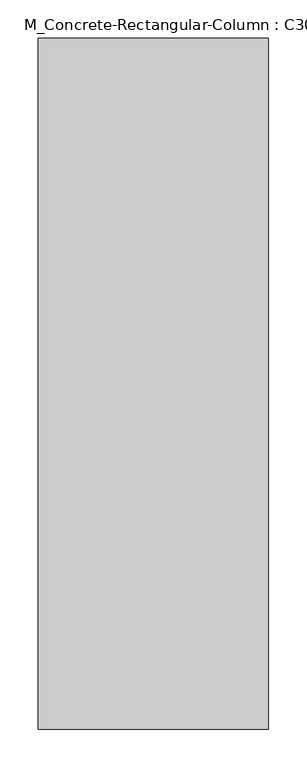
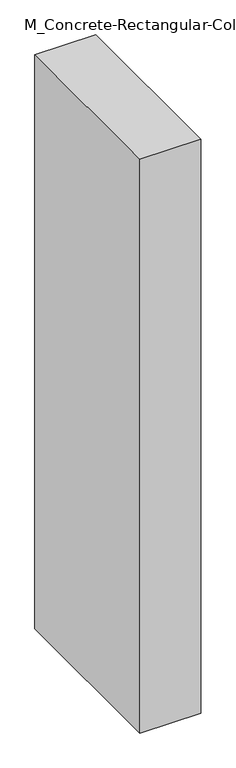
"""IFC4 building model written with IfcOpenShell, lengths in millimetres: column geometry, M_Concrete-Rectangular-Column : C300X900."""

from ifc_helpers import new_model, si_unit, origin, origin_with_axes, place, context, project, spatial, polyline, outline, extrude, source, transform, mapped, element, save


def m_concrete_rectangular_column_c300x900_945d1b77(model_context):
    return source(origin(), model_context, "Body", "SweptSolid", [
        extrude(outline(polyline([(150.0, 450.0), (150.0, -450.0), (-150.0, -450.0), (-150.0, 450.0), (150.0, 450.0)])), origin_with_axes(), (0.0, 0.0, 1.0), 3000.0),
    ])


if __name__ == "__main__":
    model = new_model("IFC4")
    model_context = context("Model", 3, world=origin())
    ifc_project = project(units=[si_unit("LENGTHUNIT", "METRE", prefix="MILLI")], contexts=[model_context])
    site = spatial("IfcSite", under=ifc_project)
    building = spatial("IfcBuilding", under=site)
    placement = place(None, origin())
    m_concrete_rectangular_column_c300x900_shape = m_concrete_rectangular_column_c300x900_945d1b77(model_context)
    element("IfcColumn", 1, ObjectType="M_Concrete-Rectangular-Column : C300X900", at=placement, inside=building, context=model_context, shape_type="MappedRepresentation", body=[
        mapped(m_concrete_rectangular_column_c300x900_shape, transform((0.0, 0.0, 0.0), x_axis=(1.0, 0.0, 0.0), y_axis=(0.0, 1.0, 0.0), z_axis=(0.0, 0.0, 1.0))),
    ])
    save(model, "model.ifc")
